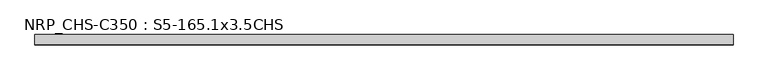
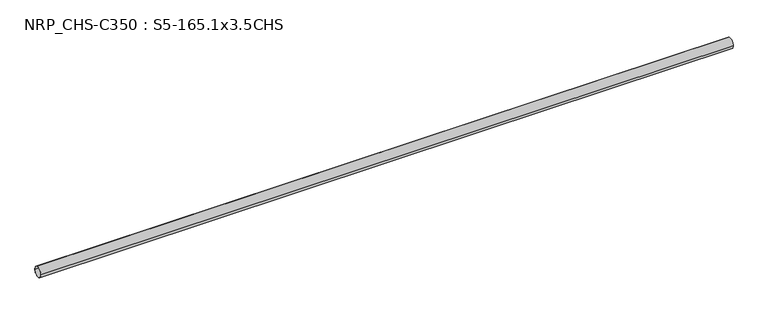
"""IFC4 building model written with IfcOpenShell, lengths in millimetres: beam geometry, NRP_CHS-C350 : S5-165.1x3.5CHS."""

from ifc_helpers import new_model, si_unit, point, frame, origin, origin_2d, place, context, project, spatial, circle_curve, trimmed, segment, composite_curve, outline, extrude, source, transform, mapped, element, save


def nrp_chs_c350_s5_165_1x3_5chs_49d49907(model_context):
    return source(origin(), model_context, "Body", "SweptSolid", [
        extrude(outline(composite_curve([segment(trimmed(circle_curve(origin_2d(), 82.55), [point((82.55, 0.0))], [point((-82.55, 0.0))], False, "CARTESIAN"), True, "CONTINUOUS"), segment(trimmed(circle_curve(origin_2d(), 82.55), [point((-82.55, 0.0))], [point((82.55, 0.0))], False, "CARTESIAN"), True, "CONTINUOUS")], self_intersect=False), holes=[composite_curve([segment(trimmed(circle_curve(origin_2d(), 79.05), [point((-79.05, 0.0))], [point((79.05, 0.0))], True, "CARTESIAN"), True, "CONTINUOUS"), segment(trimmed(circle_curve(origin_2d(), 79.05), [point((79.05, 0.0))], [point((-79.05, 0.0))], True, "CARTESIAN"), True, "CONTINUOUS")], self_intersect=False)]), frame((-5512.3, 0.0, 0.0), z_axis=(1.0, 0.0, 0.0), x_axis=(0.0, 1.0, 0.0)), (0.0, 0.0, 1.0), 11047.8),
    ])


if __name__ == "__main__":
    model = new_model("IFC4")
    model_context = context("Model", 3, world=origin())
    ifc_project = project(units=[si_unit("LENGTHUNIT", "METRE", prefix="MILLI")], contexts=[model_context])
    site = spatial("IfcSite", under=ifc_project)
    building = spatial("IfcBuilding", under=site)
    placement = place(None, origin())
    nrp_chs_c350_s5_165_1x3_5chs_shape = nrp_chs_c350_s5_165_1x3_5chs_49d49907(model_context)
    element("IfcBeam", 1, ObjectType="NRP_CHS-C350 : S5-165.1x3.5CHS", at=placement, inside=building, context=model_context, shape_type="MappedRepresentation", body=[
        mapped(nrp_chs_c350_s5_165_1x3_5chs_shape, transform((0.0, 0.0, 0.0), x_axis=(1.0, 0.0, 0.0), y_axis=(0.0, 1.0, 0.0), z_axis=(0.0, 0.0, 1.0))),
    ])
    save(model, "model.ifc")
